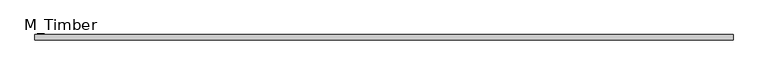
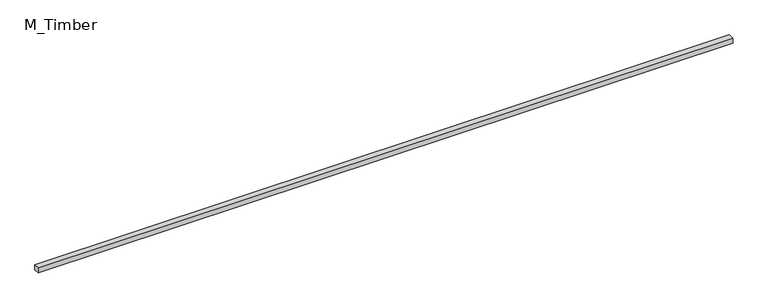
"""IFC4 building model written with IfcOpenShell, lengths in millimetres: beam geometry, M_Timber."""

from ifc_helpers import new_model, si_unit, frame, origin, place, context, project, spatial, polyline, outline, extrude, source, transform, mapped, element, save


def m_timber_39b524e6(model_context):
    return source(origin(), model_context, "Body", "SweptSolid", [
        extrude(outline(polyline([(2501.4177231, 20.0), (2501.4177231, -20.0), (-2501.4177231, -20.0), (-2501.4177231, 20.0), (2501.4177231, 20.0)])), frame((0.0, 0.0, -20.0), z_axis=(0.0, 0.0, 1.0), x_axis=(1.0, 0.0, 0.0)), (0.0, 0.0, 1.0), 40.0),
    ])


if __name__ == "__main__":
    model = new_model("IFC4")
    model_context = context("Model", 3, world=origin())
    ifc_project = project(units=[si_unit("LENGTHUNIT", "METRE", prefix="MILLI")], contexts=[model_context])
    site = spatial("IfcSite", under=ifc_project)
    building = spatial("IfcBuilding", under=site)
    placement = place(None, origin())
    m_timber_shape = m_timber_39b524e6(model_context)
    element("IfcBeam", 1, ObjectType="M_Timber", at=placement, inside=building, context=model_context, shape_type="MappedRepresentation", body=[
        mapped(m_timber_shape, transform((0.0, 0.0, 0.0), x_axis=(1.0, 0.0, 0.0), y_axis=(0.0, 1.0, 0.0), z_axis=(0.0, 0.0, 1.0))),
    ])
    save(model, "model.ifc")
